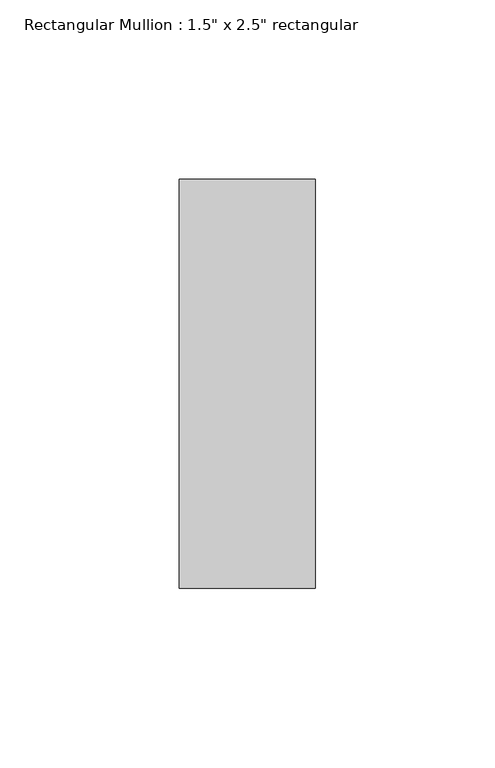
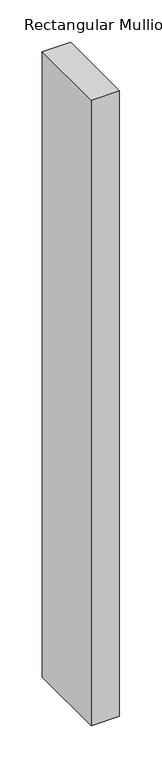
"""IFC4 building model written with IfcOpenShell, lengths in millimetres: member geometry."""

import ifcopenshell
import ifcopenshell.guid

model = None  # the IFC model being written
_history = None  # IfcOwnerHistory: only IFC2X3 demands one
_inside = {}  # id of a spatial element -> (the spatial element, [elements in it])
_under = {}  # id of a project, library or spatial element -> (it, [spatial elements below it])
_declared = {}  # id of a project -> (the project, [libraries it declares])
_typed = {}  # id of a type object -> (the type object, [elements of that type])
_made_of = {}  # id of a material, layer set ... -> (it, [elements and type objects made of it])


def new_model(schema):
    """Start an empty IFC model of exactly this schema.

    Asked for "IFC4X3", IfcOpenShell would pick the latest addendum, in which some entities
    have other attributes; the version numbers below select the first issue.
    IFC2X3 requires an IfcOwnerHistory on every rooted entity: one is made here for all.
    """
    global model, _history
    if schema == "IFC4X3":
        model = ifcopenshell.file(schema_version=(4, 3, 0, 0))
    else:
        model = ifcopenshell.file(schema=schema)
    _inside.clear()
    _under.clear()
    _declared.clear()
    _typed.clear()
    _made_of.clear()
    _history = None
    if model.schema == "IFC2X3":
        org = make("IfcOrganization", Name="unknown")
        user = make(
            "IfcPersonAndOrganization",
            ThePerson=make("IfcPerson", FamilyName="unknown"),
            TheOrganization=org,
        )
        app = make(
            "IfcApplication",
            ApplicationDeveloper=org,
            Version="unknown",
            ApplicationFullName="unknown",
            ApplicationIdentifier="unknown",
        )
        _history = make(
            "IfcOwnerHistory",
            OwningUser=user,
            OwningApplication=app,
            ChangeAction="ADDED",
            CreationDate=0,
        )
    return model


def make(cls, **values):
    """One entity of the class cls with the attributes given. An attribute that is None is left unset."""
    return model.create_entity(
        cls, **{name: value for name, value in values.items() if value is not None}
    )


def rooted(cls, **values):
    """An entity with a GlobalId (a new one), such as an element, a storey or a relation."""
    return make(cls, GlobalId=ifcopenshell.guid.new(), OwnerHistory=_history, **values)


def si_unit(unit_type, name, prefix=None):
    """IfcSIUnit, for example si_unit("LENGTHUNIT", "METRE", prefix="MILLI")."""
    return make("IfcSIUnit", UnitType=unit_type, Prefix=prefix, Name=name)


def assignment(units):
    """IfcUnitAssignment: the units of a project."""
    return None if units is None else make("IfcUnitAssignment", Units=units)


def point(xyz):
    """IfcCartesianPoint."""
    return None if xyz is None else make("IfcCartesianPoint", Coordinates=xyz)


def direction(xyz):
    """IfcDirection."""
    return None if xyz is None else make("IfcDirection", DirectionRatios=xyz)


def frame(location, z_axis=None, x_axis=None):
    """IfcAxis2Placement3D, a coordinate frame: its origin and axes. An axis left out is left unset."""
    return make(
        "IfcAxis2Placement3D",
        Location=point(location),
        Axis=direction(z_axis),
        RefDirection=direction(x_axis),
    )


def origin():
    """The frame at (0, 0, 0) with its axes left unset."""
    return frame((0.0, 0.0, 0.0))


def place(relative_to, where):
    """IfcLocalPlacement: puts the frame where relative to a parent placement (None: the world)."""
    return make(
        "IfcLocalPlacement", PlacementRelTo=relative_to, RelativePlacement=where
    )


def context(
    kind, dimensions, precision=None, world=None, true_north=None, identifier=None
):
    """IfcGeometricRepresentationContext, for example the 3D "Model" context."""
    return make(
        "IfcGeometricRepresentationContext",
        ContextIdentifier=identifier,
        ContextType=kind,
        CoordinateSpaceDimension=dimensions,
        Precision=precision,
        WorldCoordinateSystem=world,
        TrueNorth=true_north,
    )


def project(units=None, contexts=None):
    """IfcProject with its units and contexts."""
    return rooted(
        "IfcProject",
        Name="project",
        RepresentationContexts=contexts,
        UnitsInContext=assignment(units),
    )


def spatial(cls, under=None, at=None, **own):
    """A site, building, storey or space (cls), placed at a placement, below another one or the project."""
    s = rooted(cls, ObjectPlacement=at, **own)
    if under is not None:
        _under.setdefault(under.id(), (under, []))[1].append(s)
    return s


def polyline(points):
    """IfcPolyline through the points."""
    return make("IfcPolyline", Points=[point(p) for p in points])


def outline(outer, holes=None, kind="AREA"):
    """IfcArbitraryClosedProfileDef: a profile drawn as a closed curve; with holes, ...WithVoids."""
    if holes is None:
        return make("IfcArbitraryClosedProfileDef", ProfileType=kind, OuterCurve=outer)
    return make(
        "IfcArbitraryProfileDefWithVoids",
        ProfileType=kind,
        OuterCurve=outer,
        InnerCurves=holes,
    )


def extrude(swept, where, along, depth):
    """IfcExtrudedAreaSolid: the profile swept, set in the frame where, extruded along a direction by depth."""
    return make(
        "IfcExtrudedAreaSolid",
        SweptArea=swept,
        Position=where,
        ExtrudedDirection=direction(along),
        Depth=depth,
    )


def shape(context_of_items, identifier, shape_type, items):
    """IfcShapeRepresentation: the items that make up one representation, for example the "Body"."""
    return make(
        "IfcShapeRepresentation",
        ContextOfItems=context_of_items,
        RepresentationIdentifier=identifier,
        RepresentationType=shape_type,
        Items=items,
    )


def source(mapping_origin, context_of_items, identifier, shape_type, items):
    """IfcRepresentationMap: a shape defined once, which mapped items show again and again."""
    return make(
        "IfcRepresentationMap",
        MappingOrigin=mapping_origin,
        MappedRepresentation=shape(context_of_items, identifier, shape_type, items),
    )


def transform(
    local_origin,
    x_axis=None,
    y_axis=None,
    z_axis=None,
    scale=None,
    scale2=None,
    scale3=None,
    uniform=True,
):
    """IfcCartesianTransformationOperator3D, or its non-uniform kind. x_axis, y_axis, z_axis: its Axis1, 2, 3."""
    if uniform:
        return make(
            "IfcCartesianTransformationOperator3D",
            Axis1=direction(x_axis),
            Axis2=direction(y_axis),
            LocalOrigin=point(local_origin),
            Scale=scale,
            Axis3=direction(z_axis),
        )
    return make(
        "IfcCartesianTransformationOperator3DnonUniform",
        Axis1=direction(x_axis),
        Axis2=direction(y_axis),
        LocalOrigin=point(local_origin),
        Scale=scale,
        Axis3=direction(z_axis),
        Scale2=scale2,
        Scale3=scale3,
    )


def mapped(mapping_source, mapping_target):
    """IfcMappedItem: shows the shape of a source again, moved by a transform."""
    return make(
        "IfcMappedItem", MappingSource=mapping_source, MappingTarget=mapping_target
    )


def made_of(thing, what):
    """Note that an element or type object is made of a material, layer set ...; save() writes the relation."""
    if what is not None:
        _made_of.setdefault(what.id(), (what, []))[1].append(thing)
    return thing


def element(
    cls,
    number,
    at=None,
    inside=None,
    cuts=None,
    type_object=None,
    material=None,
    context=None,
    identifier="Body",
    shape_type=None,
    held_by="IfcProductDefinitionShape",
    body=None,
    shapes=None,
    **own,
):
    """One element of the class cls, such as IfcWall. Its Tag is "e" and its number.

    at: its placement. inside: the storey or other place that contains it. cuts: it is an
    opening in that element (IfcRelVoidsElement). A single representation is given by context,
    identifier, shape_type and body (its items); several are given by shapes. held_by: the class
    of the entity that holds the representations. save() writes the other relations.
    """
    e = rooted(cls, Tag="e%d" % number, ObjectPlacement=at, **own)
    if body is not None:
        shapes = [shape(context, identifier, shape_type, body)]
    if shapes is not None:
        e.Representation = make(held_by, Representations=shapes)
    if inside is not None:
        _inside.setdefault(inside.id(), (inside, []))[1].append(e)
    if cuts is not None:
        rooted(
            "IfcRelVoidsElement", RelatingBuildingElement=cuts, RelatedOpeningElement=e
        )
    if type_object is not None:
        _typed.setdefault(type_object.id(), (type_object, []))[1].append(e)
    return made_of(e, material)


def aggregate(whole, parts):
    """IfcRelAggregates: a whole, such as a stair, and the parts it consists of."""
    return rooted("IfcRelAggregates", RelatingObject=whole, RelatedObjects=parts)


def save(model, path):
    """Write the relations noted so far, then the file.

    IfcRelAggregates (storeys below a building ...), IfcRelContainedInSpatialStructure (elements
    in a storey), IfcRelDefinesByType, IfcRelAssociatesMaterial and IfcRelDeclares: one each for
    every whole, place, type object, material and project.
    """
    for whole, parts in _under.values():
        aggregate(whole, parts)
    for where, things in _inside.values():
        rooted(
            "IfcRelContainedInSpatialStructure",
            RelatedElements=things,
            RelatingStructure=where,
        )
    for kind, things in _typed.values():
        rooted("IfcRelDefinesByType", RelatedObjects=things, RelatingType=kind)
    for what, things in _made_of.values():
        rooted("IfcRelAssociatesMaterial", RelatedObjects=things, RelatingMaterial=what)
    for by, libraries in _declared.values():
        rooted("IfcRelDeclares", RelatingContext=by, RelatedDefinitions=libraries)
    model.write(path)


def member_d09cc8d5(model_context):
    return source(origin(), model_context, "Body", "SweptSolid", [
        extrude(outline(polyline([(19.05, 57.15), (19.05, -57.15), (-19.05, -57.15), (-19.05, 57.15), (19.05, 57.15)])), frame((0.0, 0.0, -898.525), z_axis=(0.0, 0.0, 1.0), x_axis=(1.0, 0.0, 0.0)), (0.0, 0.0, 1.0), 898.525),
    ])


if __name__ == "__main__":
    model = new_model("IFC4")
    model_context = context("Model", 3, world=origin())
    ifc_project = project(units=[si_unit("LENGTHUNIT", "METRE", prefix="MILLI")], contexts=[model_context])
    site = spatial("IfcSite", under=ifc_project)
    building = spatial("IfcBuilding", under=site)
    placement = place(None, origin())
    member_shape = member_d09cc8d5(model_context)
    element("IfcMember", 1, ObjectType="Rectangular Mullion : 1.5\" x 2.5\" rectangular", at=placement, inside=building, context=model_context, shape_type="MappedRepresentation", body=[
        mapped(member_shape, transform((0.0, 0.0, 0.0), x_axis=(1.0, 0.0, 0.0), y_axis=(0.0, 1.0, 0.0), z_axis=(0.0, 0.0, 1.0))),
    ])
    save(model, "model.ifc")
